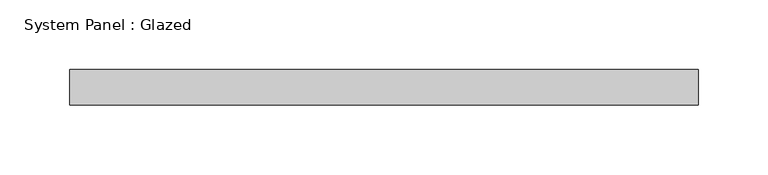
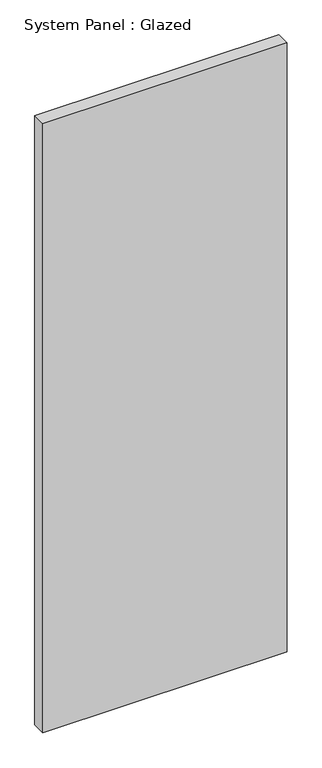
"""IFC4 building model written with IfcOpenShell, lengths in millimetres: plate geometry, System Panel : Glazed."""

from ifc_helpers import new_model, si_unit, origin, origin_with_axes, place, context, project, spatial, polyline, outline, extrude, source, transform, mapped, element, save


def system_panel_glazed_93e894db(model_context):
    return source(origin(), model_context, "Body", "SweptSolid", [
        extrude(outline(polyline([(225.425, -12.7), (-225.425, -12.7), (-225.425, 12.7), (225.425, 12.7), (225.425, -12.7)])), origin_with_axes(), (0.0, 0.0, 1.0), 1187.45),
    ])


if __name__ == "__main__":
    model = new_model("IFC4")
    model_context = context("Model", 3, world=origin())
    ifc_project = project(units=[si_unit("LENGTHUNIT", "METRE", prefix="MILLI")], contexts=[model_context])
    site = spatial("IfcSite", under=ifc_project)
    building = spatial("IfcBuilding", under=site)
    placement = place(None, origin())
    system_panel_glazed_shape = system_panel_glazed_93e894db(model_context)
    element("IfcPlate", 1, ObjectType="System Panel : Glazed", at=placement, inside=building, context=model_context, shape_type="MappedRepresentation", body=[
        mapped(system_panel_glazed_shape, transform((0.0, 0.0, 0.0), x_axis=(1.0, 0.0, 0.0), y_axis=(0.0, 1.0, 0.0), z_axis=(0.0, 0.0, 1.0))),
    ])
    save(model, "model.ifc")
